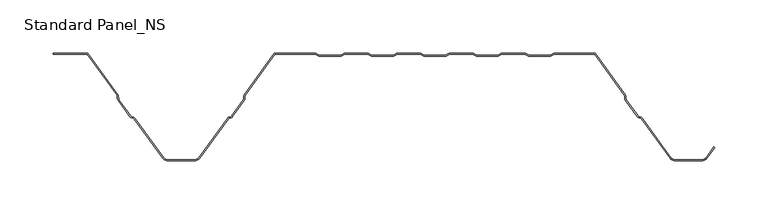
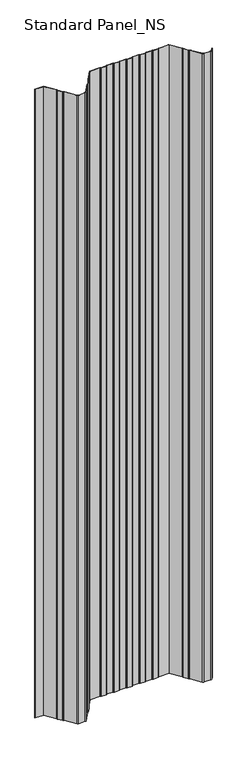
"""IFC4 building model written with IfcOpenShell, lengths in millimetres: proxy geometry, Standard Panel_NS."""

import ifcopenshell
import ifcopenshell.guid

model = None  # the IFC model being written
_history = None  # IfcOwnerHistory: only IFC2X3 demands one
_inside = {}  # id of a spatial element -> (the spatial element, [elements in it])
_under = {}  # id of a project, library or spatial element -> (it, [spatial elements below it])
_declared = {}  # id of a project -> (the project, [libraries it declares])
_typed = {}  # id of a type object -> (the type object, [elements of that type])
_made_of = {}  # id of a material, layer set ... -> (it, [elements and type objects made of it])


def new_model(schema):
    """Start an empty IFC model of exactly this schema.

    Asked for "IFC4X3", IfcOpenShell would pick the latest addendum, in which some entities
    have other attributes; the version numbers below select the first issue.
    IFC2X3 requires an IfcOwnerHistory on every rooted entity: one is made here for all.
    """
    global model, _history
    if schema == "IFC4X3":
        model = ifcopenshell.file(schema_version=(4, 3, 0, 0))
    else:
        model = ifcopenshell.file(schema=schema)
    _inside.clear()
    _under.clear()
    _declared.clear()
    _typed.clear()
    _made_of.clear()
    _history = None
    if model.schema == "IFC2X3":
        org = make("IfcOrganization", Name="unknown")
        user = make(
            "IfcPersonAndOrganization",
            ThePerson=make("IfcPerson", FamilyName="unknown"),
            TheOrganization=org,
        )
        app = make(
            "IfcApplication",
            ApplicationDeveloper=org,
            Version="unknown",
            ApplicationFullName="unknown",
            ApplicationIdentifier="unknown",
        )
        _history = make(
            "IfcOwnerHistory",
            OwningUser=user,
            OwningApplication=app,
            ChangeAction="ADDED",
            CreationDate=0,
        )
    return model


def make(cls, **values):
    """One entity of the class cls with the attributes given. An attribute that is None is left unset."""
    return model.create_entity(
        cls, **{name: value for name, value in values.items() if value is not None}
    )


def rooted(cls, **values):
    """An entity with a GlobalId (a new one), such as an element, a storey or a relation."""
    return make(cls, GlobalId=ifcopenshell.guid.new(), OwnerHistory=_history, **values)


def si_unit(unit_type, name, prefix=None):
    """IfcSIUnit, for example si_unit("LENGTHUNIT", "METRE", prefix="MILLI")."""
    return make("IfcSIUnit", UnitType=unit_type, Prefix=prefix, Name=name)


def assignment(units):
    """IfcUnitAssignment: the units of a project."""
    return None if units is None else make("IfcUnitAssignment", Units=units)


def point(xyz):
    """IfcCartesianPoint."""
    return None if xyz is None else make("IfcCartesianPoint", Coordinates=xyz)


def direction(xyz):
    """IfcDirection."""
    return None if xyz is None else make("IfcDirection", DirectionRatios=xyz)


def frame(location, z_axis=None, x_axis=None):
    """IfcAxis2Placement3D, a coordinate frame: its origin and axes. An axis left out is left unset."""
    return make(
        "IfcAxis2Placement3D",
        Location=point(location),
        Axis=direction(z_axis),
        RefDirection=direction(x_axis),
    )


def frame_2d(location, x_axis=None):
    """IfcAxis2Placement2D, a coordinate frame in the plane: its origin and x axis."""
    return make(
        "IfcAxis2Placement2D", Location=point(location), RefDirection=direction(x_axis)
    )


def origin():
    """The frame at (0, 0, 0) with its axes left unset."""
    return frame((0.0, 0.0, 0.0))


def origin_with_axes():
    """The frame at (0, 0, 0) with the z axis (0, 0, 1) and the x axis (1, 0, 0) written out."""
    return frame((0.0, 0.0, 0.0), z_axis=(0.0, 0.0, 1.0), x_axis=(1.0, 0.0, 0.0))


def place(relative_to, where):
    """IfcLocalPlacement: puts the frame where relative to a parent placement (None: the world)."""
    return make(
        "IfcLocalPlacement", PlacementRelTo=relative_to, RelativePlacement=where
    )


def context(
    kind, dimensions, precision=None, world=None, true_north=None, identifier=None
):
    """IfcGeometricRepresentationContext, for example the 3D "Model" context."""
    return make(
        "IfcGeometricRepresentationContext",
        ContextIdentifier=identifier,
        ContextType=kind,
        CoordinateSpaceDimension=dimensions,
        Precision=precision,
        WorldCoordinateSystem=world,
        TrueNorth=true_north,
    )


def project(units=None, contexts=None):
    """IfcProject with its units and contexts."""
    return rooted(
        "IfcProject",
        Name="project",
        RepresentationContexts=contexts,
        UnitsInContext=assignment(units),
    )


def spatial(cls, under=None, at=None, **own):
    """A site, building, storey or space (cls), placed at a placement, below another one or the project."""
    s = rooted(cls, ObjectPlacement=at, **own)
    if under is not None:
        _under.setdefault(under.id(), (under, []))[1].append(s)
    return s


def polyline(points):
    """IfcPolyline through the points."""
    return make("IfcPolyline", Points=[point(p) for p in points])


def circle_curve(where, radius):
    """IfcCircle in the frame where."""
    return make("IfcCircle", Position=where, Radius=radius)


def trimmed(basis, trim1, trim2, sense, master):
    """IfcTrimmedCurve: the piece of a basis curve between two trims."""
    return make(
        "IfcTrimmedCurve",
        BasisCurve=basis,
        Trim1=trim1,
        Trim2=trim2,
        SenseAgreement=sense,
        MasterRepresentation=master,
    )


def segment(curve, same_sense, transition):
    """IfcCompositeCurveSegment."""
    return make(
        "IfcCompositeCurveSegment",
        Transition=transition,
        SameSense=same_sense,
        ParentCurve=curve,
    )


def composite_curve(segments, self_intersect=None):
    """IfcCompositeCurve: segments joined end to end."""
    return make("IfcCompositeCurve", Segments=segments, SelfIntersect=self_intersect)


def outline(outer, holes=None, kind="AREA"):
    """IfcArbitraryClosedProfileDef: a profile drawn as a closed curve; with holes, ...WithVoids."""
    if holes is None:
        return make("IfcArbitraryClosedProfileDef", ProfileType=kind, OuterCurve=outer)
    return make(
        "IfcArbitraryProfileDefWithVoids",
        ProfileType=kind,
        OuterCurve=outer,
        InnerCurves=holes,
    )


def extrude(swept, where, along, depth):
    """IfcExtrudedAreaSolid: the profile swept, set in the frame where, extruded along a direction by depth."""
    return make(
        "IfcExtrudedAreaSolid",
        SweptArea=swept,
        Position=where,
        ExtrudedDirection=direction(along),
        Depth=depth,
    )


def shape(context_of_items, identifier, shape_type, items):
    """IfcShapeRepresentation: the items that make up one representation, for example the "Body"."""
    return make(
        "IfcShapeRepresentation",
        ContextOfItems=context_of_items,
        RepresentationIdentifier=identifier,
        RepresentationType=shape_type,
        Items=items,
    )


def source(mapping_origin, context_of_items, identifier, shape_type, items):
    """IfcRepresentationMap: a shape defined once, which mapped items show again and again."""
    return make(
        "IfcRepresentationMap",
        MappingOrigin=mapping_origin,
        MappedRepresentation=shape(context_of_items, identifier, shape_type, items),
    )


def transform(
    local_origin,
    x_axis=None,
    y_axis=None,
    z_axis=None,
    scale=None,
    scale2=None,
    scale3=None,
    uniform=True,
):
    """IfcCartesianTransformationOperator3D, or its non-uniform kind. x_axis, y_axis, z_axis: its Axis1, 2, 3."""
    if uniform:
        return make(
            "IfcCartesianTransformationOperator3D",
            Axis1=direction(x_axis),
            Axis2=direction(y_axis),
            LocalOrigin=point(local_origin),
            Scale=scale,
            Axis3=direction(z_axis),
        )
    return make(
        "IfcCartesianTransformationOperator3DnonUniform",
        Axis1=direction(x_axis),
        Axis2=direction(y_axis),
        LocalOrigin=point(local_origin),
        Scale=scale,
        Axis3=direction(z_axis),
        Scale2=scale2,
        Scale3=scale3,
    )


def mapped(mapping_source, mapping_target):
    """IfcMappedItem: shows the shape of a source again, moved by a transform."""
    return make(
        "IfcMappedItem", MappingSource=mapping_source, MappingTarget=mapping_target
    )


def made_of(thing, what):
    """Note that an element or type object is made of a material, layer set ...; save() writes the relation."""
    if what is not None:
        _made_of.setdefault(what.id(), (what, []))[1].append(thing)
    return thing


def element(
    cls,
    number,
    at=None,
    inside=None,
    cuts=None,
    type_object=None,
    material=None,
    context=None,
    identifier="Body",
    shape_type=None,
    held_by="IfcProductDefinitionShape",
    body=None,
    shapes=None,
    **own,
):
    """One element of the class cls, such as IfcWall. Its Tag is "e" and its number.

    at: its placement. inside: the storey or other place that contains it. cuts: it is an
    opening in that element (IfcRelVoidsElement). A single representation is given by context,
    identifier, shape_type and body (its items); several are given by shapes. held_by: the class
    of the entity that holds the representations. save() writes the other relations.
    """
    e = rooted(cls, Tag="e%d" % number, ObjectPlacement=at, **own)
    if body is not None:
        shapes = [shape(context, identifier, shape_type, body)]
    if shapes is not None:
        e.Representation = make(held_by, Representations=shapes)
    if inside is not None:
        _inside.setdefault(inside.id(), (inside, []))[1].append(e)
    if cuts is not None:
        rooted(
            "IfcRelVoidsElement", RelatingBuildingElement=cuts, RelatedOpeningElement=e
        )
    if type_object is not None:
        _typed.setdefault(type_object.id(), (type_object, []))[1].append(e)
    return made_of(e, material)


def aggregate(whole, parts):
    """IfcRelAggregates: a whole, such as a stair, and the parts it consists of."""
    return rooted("IfcRelAggregates", RelatingObject=whole, RelatedObjects=parts)


def save(model, path):
    """Write the relations noted so far, then the file.

    IfcRelAggregates (storeys below a building ...), IfcRelContainedInSpatialStructure (elements
    in a storey), IfcRelDefinesByType, IfcRelAssociatesMaterial and IfcRelDeclares: one each for
    every whole, place, type object, material and project.
    """
    for whole, parts in _under.values():
        aggregate(whole, parts)
    for where, things in _inside.values():
        rooted(
            "IfcRelContainedInSpatialStructure",
            RelatedElements=things,
            RelatingStructure=where,
        )
    for kind, things in _typed.values():
        rooted("IfcRelDefinesByType", RelatedObjects=things, RelatingType=kind)
    for what, things in _made_of.values():
        rooted("IfcRelAssociatesMaterial", RelatedObjects=things, RelatingMaterial=what)
    for by, libraries in _declared.values():
        rooted("IfcRelDeclares", RelatingContext=by, RelatedDefinitions=libraries)
    model.write(path)


def standard_panel_ns_a179a84e(model_context):
    return source(origin(), model_context, "Body", "SweptSolid", [
        extrude(outline(composite_curve([segment(polyline([(-266.0101621, -1.0), (-297.9999998, -1.0), (-297.9999998, 0.0), (-265.5000002, 0.0), (-237.3690592, -38.8012978)]), True, "CONTINUOUS"), segment(trimmed(circle_curve(frame_2d((-239.5943584, -40.4146398)), 2.7486049), [point((-237.3690592, -38.8012978))], [point((-236.8478765, -40.3066321))], False, "CARTESIAN"), True, "CONTINUOUS"), segment(polyline([(-236.8478765, -40.3066321), (-236.7597011, -42.5488047)]), True, "CONTINUOUS"), segment(trimmed(circle_curve(frame_2d((-235.0124468, -42.4800924)), 1.7486049), [point((-236.7597011, -42.5488047))], [point((-236.4281356, -43.5064668))], True, "CARTESIAN"), True, "CONTINUOUS"), segment(polyline([(-236.4281356, -43.5064668), (-225.3103065, -58.8414035)]), True, "CONTINUOUS"), segment(trimmed(circle_curve(frame_2d((-223.8946177, -57.8150291)), 1.7486049), [point((-225.3103065, -58.8414035))], [point((-224.5032119, -59.4543071))], True, "CARTESIAN"), True, "CONTINUOUS"), segment(polyline([(-224.5032119, -59.4543071), (-222.3996005, -60.2352885)]), True, "CONTINUOUS"), segment(trimmed(circle_curve(frame_2d((-223.3562403, -62.8120441)), 2.7486049), [point((-222.3996005, -60.2352885))], [point((-221.1309411, -61.1987022))], False, "CARTESIAN"), True, "CONTINUOUS"), segment(polyline([(-221.1309411, -61.1987022), (-194.4972427, -97.9348379)]), True, "CONTINUOUS"), segment(trimmed(circle_curve(frame_2d((-190.4491905, -95.0)), 5.0), [point((-194.4972427, -97.9348379))], [point((-190.4491905, -100.0))], True, "CARTESIAN"), True, "CONTINUOUS"), segment(polyline([(-190.4491905, -100.0), (-165.5508098, -100.0)]), True, "CONTINUOUS"), segment(trimmed(circle_curve(frame_2d((-165.5508098, -95.0)), 5.0), [point((-165.5508098, -100.0))], [point((-161.5027576, -97.9348379))], True, "CARTESIAN"), True, "CONTINUOUS"), segment(polyline([(-161.5027576, -97.9348379), (-134.8690592, -61.1987022)]), True, "CONTINUOUS"), segment(trimmed(circle_curve(frame_2d((-132.64376, -62.8120441)), 2.7486049), [point((-134.8690592, -61.1987022))], [point((-133.6003998, -60.2352885))], False, "CARTESIAN"), True, "CONTINUOUS"), segment(polyline([(-133.6003998, -60.2352885), (-131.4967884, -59.4543071)]), True, "CONTINUOUS"), segment(trimmed(circle_curve(frame_2d((-132.1053826, -57.8150291)), 1.7486049), [point((-131.4967884, -59.4543071))], [point((-130.6896938, -58.8414035))], True, "CARTESIAN"), True, "CONTINUOUS"), segment(polyline([(-130.6896938, -58.8414035), (-119.5718647, -43.5064668)]), True, "CONTINUOUS"), segment(trimmed(circle_curve(frame_2d((-120.9875535, -42.4800924)), 1.7486049), [point((-119.5718647, -43.5064668))], [point((-119.2402992, -42.5488047))], True, "CARTESIAN"), True, "CONTINUOUS"), segment(polyline([(-119.2402992, -42.5488047), (-119.1521238, -40.3066321)]), True, "CONTINUOUS"), segment(trimmed(circle_curve(frame_2d((-116.4056419, -40.4146398)), 2.7486049), [point((-119.1521238, -40.3066321))], [point((-118.6309411, -38.8012978))], False, "CARTESIAN"), True, "CONTINUOUS"), segment(polyline([(-118.6309411, -38.8012978), (-90.5000002, 0.0), (-52.1655441, 0.0)]), True, "CONTINUOUS"), segment(trimmed(circle_curve(frame_2d((-52.1655441, -2.7486049)), 2.7486049), [point((-52.1655441, 0.0))], [point((-50.6408924, -0.4616274))], False, "CARTESIAN"), True, "CONTINUOUS"), segment(polyline([(-50.6408924, -0.4616274), (-48.77385, -1.7063223)]), True, "CONTINUOUS"), segment(trimmed(circle_curve(frame_2d((-47.8038985, -0.2513951)), 1.7486049), [point((-48.77385, -1.7063223))], [point((-47.8038985, -2.0))], True, "CARTESIAN"), True, "CONTINUOUS"), segment(polyline([(-47.8038985, -2.0), (-28.8627684, -2.0)]), True, "CONTINUOUS"), segment(trimmed(circle_curve(frame_2d((-28.8627684, -0.2513951)), 1.7486049), [point((-28.8627684, -2.0))], [point((-27.892817, -1.7063223))], True, "CARTESIAN"), True, "CONTINUOUS"), segment(polyline([(-27.892817, -1.7063223), (-26.0257746, -0.4616274)]), True, "CONTINUOUS"), segment(trimmed(circle_curve(frame_2d((-24.5011229, -2.7486049)), 2.7486049), [point((-26.0257746, -0.4616274))], [point((-24.5011229, 0.0))], False, "CARTESIAN"), True, "CONTINUOUS"), segment(polyline([(-24.5011229, 0.0), (-2.9988774, 0.0)]), True, "CONTINUOUS"), segment(trimmed(circle_curve(frame_2d((-2.9988774, -2.7486049)), 2.7486049), [point((-2.9988774, 0.0))], [point((-1.4742257, -0.4616274))], False, "CARTESIAN"), True, "CONTINUOUS"), segment(polyline([(-1.4742257, -0.4616274), (0.3928167, -1.7063223)]), True, "CONTINUOUS"), segment(trimmed(circle_curve(frame_2d((1.3627681, -0.2513951)), 1.7486049), [point((0.3928167, -1.7063223))], [point((1.3627681, -2.0))], True, "CARTESIAN"), True, "CONTINUOUS"), segment(polyline([(1.3627681, -2.0), (20.3038982, -2.0)]), True, "CONTINUOUS"), segment(trimmed(circle_curve(frame_2d((20.3038982, -0.2513951)), 1.7486049), [point((20.3038982, -2.0))], [point((21.2738497, -1.7063223))], True, "CARTESIAN"), True, "CONTINUOUS"), segment(polyline([(21.2738497, -1.7063223), (23.1408921, -0.4616274)]), True, "CONTINUOUS"), segment(trimmed(circle_curve(frame_2d((24.6655438, -2.7486049)), 2.7486049), [point((23.1408921, -0.4616274))], [point((24.6655438, 0.0))], False, "CARTESIAN"), True, "CONTINUOUS"), segment(polyline([(24.6655438, 0.0), (46.1677892, 0.0)]), True, "CONTINUOUS"), segment(trimmed(circle_curve(frame_2d((46.1677892, -2.7486049)), 2.7486049), [point((46.1677892, 0.0))], [point((47.6924409, -0.4616274))], False, "CARTESIAN"), True, "CONTINUOUS"), segment(polyline([(47.6924409, -0.4616274), (49.5594833, -1.7063223)]), True, "CONTINUOUS"), segment(trimmed(circle_curve(frame_2d((50.5294348, -0.2513951)), 1.7486049), [point((49.5594833, -1.7063223))], [point((50.5294348, -2.0))], True, "CARTESIAN"), True, "CONTINUOUS"), segment(polyline([(50.5294348, -2.0), (69.4705649, -2.0)]), True, "CONTINUOUS"), segment(trimmed(circle_curve(frame_2d((69.4705649, -0.2513951)), 1.7486049), [point((69.4705649, -2.0))], [point((70.4405164, -1.7063223))], True, "CARTESIAN"), True, "CONTINUOUS"), segment(polyline([(70.4405164, -1.7063223), (72.3075588, -0.4616274)]), True, "CONTINUOUS"), segment(trimmed(circle_curve(frame_2d((73.8322104, -2.7486049)), 2.7486049), [point((72.3075588, -0.4616274))], [point((73.8322104, 0.0))], False, "CARTESIAN"), True, "CONTINUOUS"), segment(polyline([(73.8322104, 0.0), (95.3344559, 0.0)]), True, "CONTINUOUS"), segment(trimmed(circle_curve(frame_2d((95.3344559, -2.7486049)), 2.7486049), [point((95.3344559, 0.0))], [point((96.8591076, -0.4616274))], False, "CARTESIAN"), True, "CONTINUOUS"), segment(polyline([(96.8591076, -0.4616274), (98.72615, -1.7063223)]), True, "CONTINUOUS"), segment(trimmed(circle_curve(frame_2d((99.6961015, -0.2513951)), 1.7486049), [point((98.72615, -1.7063223))], [point((99.6961015, -2.0))], True, "CARTESIAN"), True, "CONTINUOUS"), segment(polyline([(99.6961015, -2.0), (118.6372316, -2.0)]), True, "CONTINUOUS"), segment(trimmed(circle_curve(frame_2d((118.6372316, -0.2513951)), 1.7486049), [point((118.6372316, -2.0))], [point((119.607183, -1.7063223))], True, "CARTESIAN"), True, "CONTINUOUS"), segment(polyline([(119.607183, -1.7063223), (121.4742254, -0.4616274)]), True, "CONTINUOUS"), segment(trimmed(circle_curve(frame_2d((122.9988771, -2.7486049)), 2.7486049), [point((121.4742254, -0.4616274))], [point((122.9988771, 0.0))], False, "CARTESIAN"), True, "CONTINUOUS"), segment(polyline([(122.9988771, 0.0), (144.5011226, 0.0)]), True, "CONTINUOUS"), segment(trimmed(circle_curve(frame_2d((144.5011226, -2.7486049)), 2.7486049), [point((144.5011226, 0.0))], [point((146.0257743, -0.4616274))], False, "CARTESIAN"), True, "CONTINUOUS"), segment(polyline([(146.0257743, -0.4616274), (147.8928167, -1.7063223)]), True, "CONTINUOUS"), segment(trimmed(circle_curve(frame_2d((148.8627681, -0.2513951)), 1.7486049), [point((147.8928167, -1.7063223))], [point((148.8627681, -2.0))], True, "CARTESIAN"), True, "CONTINUOUS"), segment(polyline([(148.8627681, -2.0), (167.8038982, -2.0)]), True, "CONTINUOUS"), segment(trimmed(circle_curve(frame_2d((167.8038982, -0.2513951)), 1.7486049), [point((167.8038982, -2.0))], [point((168.7738497, -1.7063223))], True, "CARTESIAN"), True, "CONTINUOUS"), segment(polyline([(168.7738497, -1.7063223), (170.6408921, -0.4616274)]), True, "CONTINUOUS"), segment(trimmed(circle_curve(frame_2d((172.1655438, -2.7486049)), 2.7486049), [point((170.6408921, -0.4616274))], [point((172.1655438, 0.0))], False, "CARTESIAN"), True, "CONTINUOUS"), segment(polyline([(172.1655438, 0.0), (210.4999998, 0.0), (238.6309408, -38.8012978)]), True, "CONTINUOUS"), segment(trimmed(circle_curve(frame_2d((236.4056416, -40.4146398)), 2.7486049), [point((238.6309408, -38.8012978))], [point((239.1521235, -40.3066321))], False, "CARTESIAN"), True, "CONTINUOUS"), segment(polyline([(239.1521235, -40.3066321), (239.2402989, -42.5488047)]), True, "CONTINUOUS"), segment(trimmed(circle_curve(frame_2d((240.9875532, -42.4800924)), 1.7486049), [point((239.2402989, -42.5488047))], [point((239.5718644, -43.5064668))], True, "CARTESIAN"), True, "CONTINUOUS"), segment(polyline([(239.5718644, -43.5064668), (250.6896935, -58.8414035)]), True, "CONTINUOUS"), segment(trimmed(circle_curve(frame_2d((252.1053823, -57.8150291)), 1.7486049), [point((250.6896935, -58.8414035))], [point((251.4967881, -59.4543071))], True, "CARTESIAN"), True, "CONTINUOUS"), segment(polyline([(251.4967881, -59.4543071), (253.6003995, -60.2352885)]), True, "CONTINUOUS"), segment(trimmed(circle_curve(frame_2d((252.6437597, -62.8120441)), 2.7486049), [point((253.6003995, -60.2352885))], [point((254.8690589, -61.1987022))], False, "CARTESIAN"), True, "CONTINUOUS"), segment(polyline([(254.8690589, -61.1987022), (281.5027573, -97.9348379)]), True, "CONTINUOUS"), segment(trimmed(circle_curve(frame_2d((285.5508095, -95.0)), 5.0), [point((281.5027573, -97.9348379))], [point((285.5508095, -100.0))], True, "CARTESIAN"), True, "CONTINUOUS"), segment(polyline([(285.5508095, -100.0), (310.4491902, -100.0)]), True, "CONTINUOUS"), segment(trimmed(circle_curve(frame_2d((310.4491902, -95.0)), 5.0), [point((310.4491902, -100.0))], [point((314.4972424, -97.9348379))], True, "CARTESIAN"), True, "CONTINUOUS"), segment(polyline([(314.4972424, -97.9348379), (321.8045134, -87.8558433), (322.6141239, -88.4428109), (315.3068528, -98.5218054)]), True, "CONTINUOUS"), segment(trimmed(circle_curve(frame_2d((310.4491902, -95.0)), 6.0), [point((315.3068528, -98.5218054))], [point((310.4491902, -101.0))], False, "CARTESIAN"), True, "CONTINUOUS"), segment(polyline([(310.4491902, -101.0), (285.5508095, -101.0)]), True, "CONTINUOUS"), segment(trimmed(circle_curve(frame_2d((285.5508095, -95.0)), 6.0), [point((285.5508095, -101.0))], [point((280.6931469, -98.5218054))], False, "CARTESIAN"), True, "CONTINUOUS"), segment(polyline([(280.6931469, -98.5218054), (254.0594485, -61.7856697)]), True, "CONTINUOUS"), segment(trimmed(circle_curve(frame_2d((252.6437597, -62.8120441)), 1.7486049), [point((254.0594485, -61.7856697))], [point((253.2523539, -61.1727662))], True, "CARTESIAN"), True, "CONTINUOUS"), segment(polyline([(253.2523539, -61.1727662), (251.1487425, -60.3917847)]), True, "CONTINUOUS"), segment(trimmed(circle_curve(frame_2d((252.1053823, -57.8150291)), 2.7486049), [point((251.1487425, -60.3917847))], [point((249.8800831, -59.4283711))], False, "CARTESIAN"), True, "CONTINUOUS"), segment(polyline([(249.8800831, -59.4283711), (238.762254, -44.0934344)]), True, "CONTINUOUS"), segment(trimmed(circle_curve(frame_2d((240.9875532, -42.4800924)), 2.7486049), [point((238.762254, -44.0934344))], [point((238.2410712, -42.5881001))], False, "CARTESIAN"), True, "CONTINUOUS"), segment(polyline([(238.2410712, -42.5881001), (238.1528959, -40.3459275)]), True, "CONTINUOUS"), segment(trimmed(circle_curve(frame_2d((236.4056416, -40.4146398)), 1.7486049), [point((238.1528959, -40.3459275))], [point((237.8213303, -39.3882654))], True, "CARTESIAN"), True, "CONTINUOUS"), segment(polyline([(237.8213303, -39.3882654), (209.9898379, -1.0), (172.1655438, -1.0)]), True, "CONTINUOUS"), segment(trimmed(circle_curve(frame_2d((172.1655438, -2.7486049)), 1.7486049), [point((172.1655438, -1.0))], [point((171.1955923, -1.2936777))], True, "CARTESIAN"), True, "CONTINUOUS"), segment(polyline([(171.1955923, -1.2936777), (169.3285499, -2.5383726)]), True, "CONTINUOUS"), segment(trimmed(circle_curve(frame_2d((167.8038982, -0.2513951)), 2.7486049), [point((169.3285499, -2.5383726))], [point((167.8038982, -3.0))], False, "CARTESIAN"), True, "CONTINUOUS"), segment(polyline([(167.8038982, -3.0), (148.8627681, -3.0)]), True, "CONTINUOUS"), segment(trimmed(circle_curve(frame_2d((148.8627681, -0.2513951)), 2.7486049), [point((148.8627681, -3.0))], [point((147.3381165, -2.5383726))], False, "CARTESIAN"), True, "CONTINUOUS"), segment(polyline([(147.3381165, -2.5383726), (145.4710741, -1.2936777)]), True, "CONTINUOUS"), segment(trimmed(circle_curve(frame_2d((144.5011226, -2.7486049)), 1.7486049), [point((145.4710741, -1.2936777))], [point((144.5011226, -1.0))], True, "CARTESIAN"), True, "CONTINUOUS"), segment(polyline([(144.5011226, -1.0), (122.9988771, -1.0)]), True, "CONTINUOUS"), segment(trimmed(circle_curve(frame_2d((122.9988771, -2.7486049)), 1.7486049), [point((122.9988771, -1.0))], [point((122.0289256, -1.2936777))], True, "CARTESIAN"), True, "CONTINUOUS"), segment(polyline([(122.0289256, -1.2936777), (120.1618832, -2.5383726)]), True, "CONTINUOUS"), segment(trimmed(circle_curve(frame_2d((118.6372316, -0.2513951)), 2.7486049), [point((120.1618832, -2.5383726))], [point((118.6372316, -3.0))], False, "CARTESIAN"), True, "CONTINUOUS"), segment(polyline([(118.6372316, -3.0), (99.6961015, -3.0)]), True, "CONTINUOUS"), segment(trimmed(circle_curve(frame_2d((99.6961015, -0.2513951)), 2.7486049), [point((99.6961015, -3.0))], [point((98.1714498, -2.5383726))], False, "CARTESIAN"), True, "CONTINUOUS"), segment(polyline([(98.1714498, -2.5383726), (96.3044074, -1.2936777)]), True, "CONTINUOUS"), segment(trimmed(circle_curve(frame_2d((95.3344559, -2.7486049)), 1.7486049), [point((96.3044074, -1.2936777))], [point((95.3344559, -1.0))], True, "CARTESIAN"), True, "CONTINUOUS"), segment(polyline([(95.3344559, -1.0), (73.8322104, -1.0)]), True, "CONTINUOUS"), segment(trimmed(circle_curve(frame_2d((73.8322104, -2.7486049)), 1.7486049), [point((73.8322104, -1.0))], [point((72.862259, -1.2936777))], True, "CARTESIAN"), True, "CONTINUOUS"), segment(polyline([(72.862259, -1.2936777), (70.9952166, -2.5383726)]), True, "CONTINUOUS"), segment(trimmed(circle_curve(frame_2d((69.4705649, -0.2513951)), 2.7486049), [point((70.9952166, -2.5383726))], [point((69.4705649, -3.0))], False, "CARTESIAN"), True, "CONTINUOUS"), segment(polyline([(69.4705649, -3.0), (50.5294348, -3.0)]), True, "CONTINUOUS"), segment(trimmed(circle_curve(frame_2d((50.5294348, -0.2513951)), 2.7486049), [point((50.5294348, -3.0))], [point((49.0047831, -2.5383726))], False, "CARTESIAN"), True, "CONTINUOUS"), segment(polyline([(49.0047831, -2.5383726), (47.1377407, -1.2936777)]), True, "CONTINUOUS"), segment(trimmed(circle_curve(frame_2d((46.1677892, -2.7486049)), 1.7486049), [point((47.1377407, -1.2936777))], [point((46.1677892, -1.0))], True, "CARTESIAN"), True, "CONTINUOUS"), segment(polyline([(46.1677892, -1.0), (24.6655438, -1.0)]), True, "CONTINUOUS"), segment(trimmed(circle_curve(frame_2d((24.6655438, -2.7486049)), 1.7486049), [point((24.6655438, -1.0))], [point((23.6955923, -1.2936777))], True, "CARTESIAN"), True, "CONTINUOUS"), segment(polyline([(23.6955923, -1.2936777), (21.8285499, -2.5383726)]), True, "CONTINUOUS"), segment(trimmed(circle_curve(frame_2d((20.3038982, -0.2513951)), 2.7486049), [point((21.8285499, -2.5383726))], [point((20.3038982, -3.0))], False, "CARTESIAN"), True, "CONTINUOUS"), segment(polyline([(20.3038982, -3.0), (1.3627681, -3.0)]), True, "CONTINUOUS"), segment(trimmed(circle_curve(frame_2d((1.3627681, -0.2513951)), 2.7486049), [point((1.3627681, -3.0))], [point((-0.1618835, -2.5383726))], False, "CARTESIAN"), True, "CONTINUOUS"), segment(polyline([(-0.1618835, -2.5383726), (-2.0289259, -1.2936777)]), True, "CONTINUOUS"), segment(trimmed(circle_curve(frame_2d((-2.9988774, -2.7486049)), 1.7486049), [point((-2.0289259, -1.2936777))], [point((-2.9988774, -1.0))], True, "CARTESIAN"), True, "CONTINUOUS"), segment(polyline([(-2.9988774, -1.0), (-24.5011229, -1.0)]), True, "CONTINUOUS"), segment(trimmed(circle_curve(frame_2d((-24.5011229, -2.7486049)), 1.7486049), [point((-24.5011229, -1.0))], [point((-25.4710744, -1.2936777))], True, "CARTESIAN"), True, "CONTINUOUS"), segment(polyline([(-25.4710744, -1.2936777), (-27.3381168, -2.5383726)]), True, "CONTINUOUS"), segment(trimmed(circle_curve(frame_2d((-28.8627684, -0.2513951)), 2.7486049), [point((-27.3381168, -2.5383726))], [point((-28.8627684, -3.0))], False, "CARTESIAN"), True, "CONTINUOUS"), segment(polyline([(-28.8627684, -3.0), (-47.8038985, -3.0)]), True, "CONTINUOUS"), segment(trimmed(circle_curve(frame_2d((-47.8038985, -0.2513951)), 2.7486049), [point((-47.8038985, -3.0))], [point((-49.3285502, -2.5383726))], False, "CARTESIAN"), True, "CONTINUOUS"), segment(polyline([(-49.3285502, -2.5383726), (-51.1955926, -1.2936777)]), True, "CONTINUOUS"), segment(trimmed(circle_curve(frame_2d((-52.1655441, -2.7486049)), 1.7486049), [point((-51.1955926, -1.2936777))], [point((-52.1655441, -1.0))], True, "CARTESIAN"), True, "CONTINUOUS"), segment(polyline([(-52.1655441, -1.0), (-89.9898382, -1.0), (-117.8213306, -39.3882654)]), True, "CONTINUOUS"), segment(trimmed(circle_curve(frame_2d((-116.4056419, -40.4146398)), 1.7486049), [point((-117.8213306, -39.3882654))], [point((-118.1528962, -40.3459275))], True, "CARTESIAN"), True, "CONTINUOUS"), segment(polyline([(-118.1528962, -40.3459275), (-118.2410715, -42.5881001)]), True, "CONTINUOUS"), segment(trimmed(circle_curve(frame_2d((-120.9875535, -42.4800924)), 2.7486049), [point((-118.2410715, -42.5881001))], [point((-118.7622543, -44.0934344))], False, "CARTESIAN"), True, "CONTINUOUS"), segment(polyline([(-118.7622543, -44.0934344), (-129.8800834, -59.4283711)]), True, "CONTINUOUS"), segment(trimmed(circle_curve(frame_2d((-132.1053826, -57.8150291)), 2.7486049), [point((-129.8800834, -59.4283711))], [point((-131.1487428, -60.3917847))], False, "CARTESIAN"), True, "CONTINUOUS"), segment(polyline([(-131.1487428, -60.3917847), (-133.2523542, -61.1727662)]), True, "CONTINUOUS"), segment(trimmed(circle_curve(frame_2d((-132.64376, -62.8120441)), 1.7486049), [point((-133.2523542, -61.1727662))], [point((-134.0594488, -61.7856697))], True, "CARTESIAN"), True, "CONTINUOUS"), segment(polyline([(-134.0594488, -61.7856697), (-160.6931472, -98.5218054)]), True, "CONTINUOUS"), segment(trimmed(circle_curve(frame_2d((-165.5508098, -95.0)), 6.0), [point((-160.6931472, -98.5218054))], [point((-165.5508098, -101.0))], False, "CARTESIAN"), True, "CONTINUOUS"), segment(polyline([(-165.5508098, -101.0), (-190.4491905, -101.0)]), True, "CONTINUOUS"), segment(trimmed(circle_curve(frame_2d((-190.4491905, -95.0)), 6.0), [point((-190.4491905, -101.0))], [point((-195.3068531, -98.5218054))], False, "CARTESIAN"), True, "CONTINUOUS"), segment(polyline([(-195.3068531, -98.5218054), (-221.9405515, -61.7856697)]), True, "CONTINUOUS"), segment(trimmed(circle_curve(frame_2d((-223.3562403, -62.8120441)), 1.7486049), [point((-221.9405515, -61.7856697))], [point((-222.7476461, -61.1727662))], True, "CARTESIAN"), True, "CONTINUOUS"), segment(polyline([(-222.7476461, -61.1727662), (-224.8512575, -60.3917847)]), True, "CONTINUOUS"), segment(trimmed(circle_curve(frame_2d((-223.8946177, -57.8150291)), 2.7486049), [point((-224.8512575, -60.3917847))], [point((-226.1199169, -59.4283711))], False, "CARTESIAN"), True, "CONTINUOUS"), segment(polyline([(-226.1199169, -59.4283711), (-237.237746, -44.0934344)]), True, "CONTINUOUS"), segment(trimmed(circle_curve(frame_2d((-235.0124468, -42.4800924)), 2.7486049), [point((-237.237746, -44.0934344))], [point((-237.7589288, -42.5881001))], False, "CARTESIAN"), True, "CONTINUOUS"), segment(polyline([(-237.7589288, -42.5881001), (-237.8471041, -40.3459275)]), True, "CONTINUOUS"), segment(trimmed(circle_curve(frame_2d((-239.5943584, -40.4146398)), 1.7486049), [point((-237.8471041, -40.3459275))], [point((-238.1786697, -39.3882654))], True, "CARTESIAN"), True, "CONTINUOUS"), segment(polyline([(-238.1786697, -39.3882654), (-266.0101621, -1.0)]), True, "CONTINUOUS")], self_intersect=False)), origin_with_axes(), (0.0, 0.0, 1.0), 2512.4689053),
    ])


if __name__ == "__main__":
    model = new_model("IFC4")
    model_context = context("Model", 3, world=origin())
    ifc_project = project(units=[si_unit("LENGTHUNIT", "METRE", prefix="MILLI")], contexts=[model_context])
    site = spatial("IfcSite", under=ifc_project)
    building = spatial("IfcBuilding", under=site)
    placement = place(None, origin())
    standard_panel_ns_shape = standard_panel_ns_a179a84e(model_context)
    element("IfcBuildingElementProxy", 1, Name="Standard Panel_NS", ObjectType="Standard Panel_NS", at=placement, inside=building, context=model_context, shape_type="MappedRepresentation", body=[
        mapped(standard_panel_ns_shape, transform((0.0, 0.0, 0.0), x_axis=(1.0, 0.0, 0.0), y_axis=(0.0, 1.0, 0.0), z_axis=(0.0, 0.0, 1.0))),
    ])
    save(model, "model.ifc")
